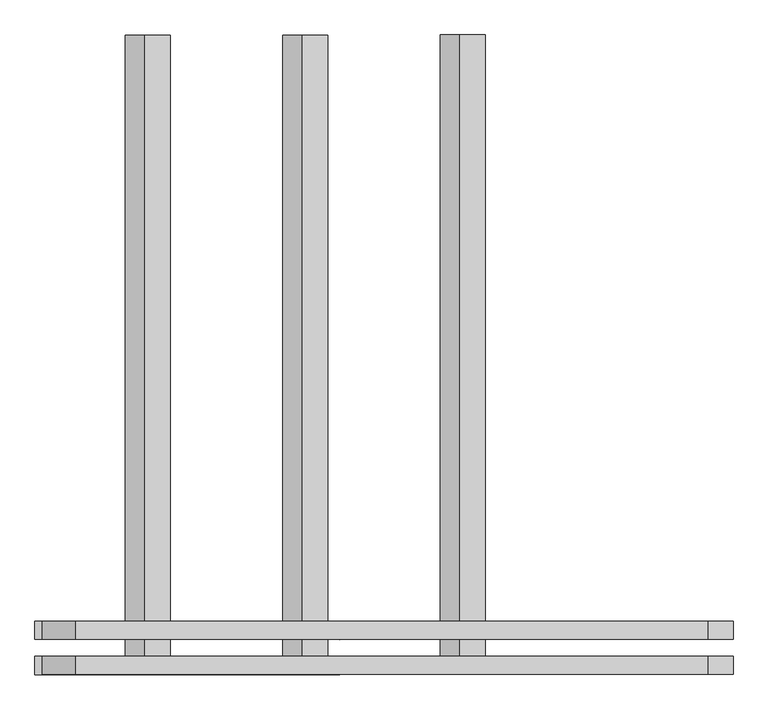
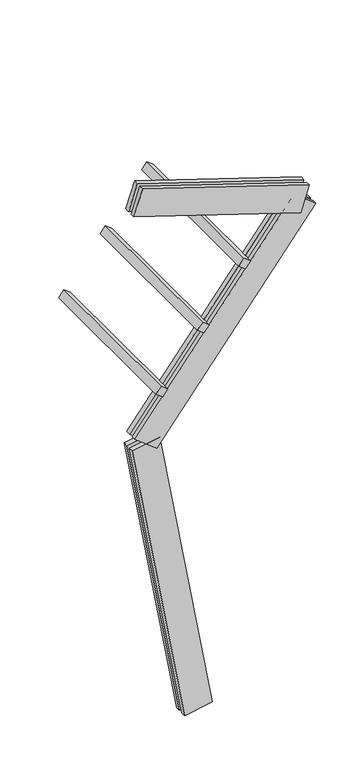
"""IFC4 building model written with IfcOpenShell, lengths in millimetres: proxy geometry."""

from ifc_helpers import new_model, si_unit, frame, origin, place, context, project, spatial, polyline, outline, extrude, source, transform, mapped, element, save


def generic_models_6e7a744c(model_context):
    return source(origin(), model_context, "Body", "SweptSolid", [
        extrude(outline(polyline([(0.0, 1500.0), (75.0, 1500.0), (75.0, 0.0), (0.0, 0.0), (0.0, 1500.0)])), frame((-380.1876403, -62.5, 3097.3175296), z_axis=(0.6156614753256588, 0.0, 0.7880107536067217), x_axis=(0.7880107536067217, 0.0, -0.6156614753256588)), (0.0, 0.0, 1.0), 75.0),
        extrude(outline(polyline([(0.0, 1500.0), (75.0, 1500.0), (75.0, 0.0), (0.0, 0.0), (0.0, 1500.0)])), frame((-10.7907551, -62.5, 3570.1239818), z_axis=(0.6156614753256588, 0.0, 0.7880107536067217), x_axis=(0.7880107536067217, 0.0, -0.6156614753256588)), (0.0, 0.0, 1.0), 75.0),
        extrude(outline(polyline([(0.0, 1500.0), (75.0, 1500.0), (75.0, 0.0), (0.0, 0.0), (0.0, 1500.0)])), frame((358.6061301, -62.5, 4042.930434), z_axis=(0.6156614753256588, 0.0, 0.7880107536067217), x_axis=(0.7880107536067217, 0.0, -0.6156614753256588)), (0.0, 0.0, 1.0), 75.0),
        extrude(outline(polyline([(1560.0000001, 125.0), (1560.0000001, 82.5), (0.0, 82.5), (0.0, 125.0), (1560.0000001, 125.0)])), frame((908.5441893, 62.5, 4352.5236019), z_axis=(0.30901699437495, 0.0, 0.9510565162951528), x_axis=(-0.9510565162951528, 0.0, 0.30901699437495)), (0.0, 0.0, 1.0), 250.0),
        extrude(outline(polyline([(0.0, 0.0), (0.0, 42.5), (1560.0000001, 42.5), (1560.0000001, 0.0), (0.0, 0.0)])), frame((908.5441893, 62.5, 4352.5236019), z_axis=(0.30901699437495, 0.0, 0.9510565162951528), x_axis=(-0.9510565162951528, 0.0, 0.30901699437495)), (0.0, 0.0, 1.0), 250.0),
        extrude(outline(polyline([(-125.0, 250.0), (-82.5, 250.0), (-82.5, 0.0), (-125.0, 0.0), (-125.0, 250.0)])), frame((-370.3487355, 62.5, 2582.0232487), z_axis=(0.6156614753256588, 0.0, 0.7880107536067217), x_axis=(0.0, 1.0, 0.0)), (0.0, 0.0, 1.0), 2300.0),
        extrude(outline(polyline([(0.0, 0.0), (-42.5, 0.0), (-42.5, 250.0), (0.0, 250.0), (0.0, 0.0)])), frame((-370.3487355, 62.5, 2582.0232487), z_axis=(0.6156614753256588, 0.0, 0.7880107536067217), x_axis=(0.0, 1.0, 0.0)), (0.0, 0.0, 1.0), 2300.0),
        extrude(outline(polyline([(-125.0, 249.9999999), (-82.5, 249.9999999), (-82.5, 0.0), (-125.0, 0.0), (-125.0, 249.9999999)])), frame((123.1009691, 62.5, 21.7060222), z_axis=(-0.17364817766693158, 0.0, 0.9848077530122079), x_axis=(0.0, 1.0, 0.0)), (0.0, 0.0, 1.0), 2700.0),
        extrude(outline(polyline([(0.0, 0.0), (-42.5, 0.0), (-42.5, 249.9999999), (0.0, 249.9999999), (0.0, 0.0)])), frame((123.1009691, 62.5, 21.7060222), z_axis=(-0.17364817766693158, 0.0, 0.9848077530122079), x_axis=(0.0, 1.0, 0.0)), (0.0, 0.0, 1.0), 2700.0),
    ])


if __name__ == "__main__":
    model = new_model("IFC4")
    model_context = context("Model", 3, world=origin())
    ifc_project = project(units=[si_unit("LENGTHUNIT", "METRE", prefix="MILLI")], contexts=[model_context])
    site = spatial("IfcSite", under=ifc_project)
    building = spatial("IfcBuilding", under=site)
    placement = place(None, origin())
    generic_models_shape = generic_models_6e7a744c(model_context)
    element("IfcBuildingElementProxy", 1, Name="Generic Models", at=placement, inside=building, context=model_context, shape_type="MappedRepresentation", body=[
        mapped(generic_models_shape, transform((0.0, 0.0, 0.0), x_axis=(1.0, 0.0, 0.0), y_axis=(0.0, 1.0, 0.0), z_axis=(0.0, 0.0, 1.0))),
    ])
    save(model, "model.ifc")
